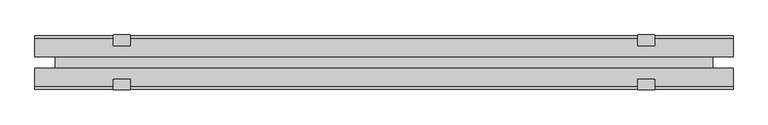
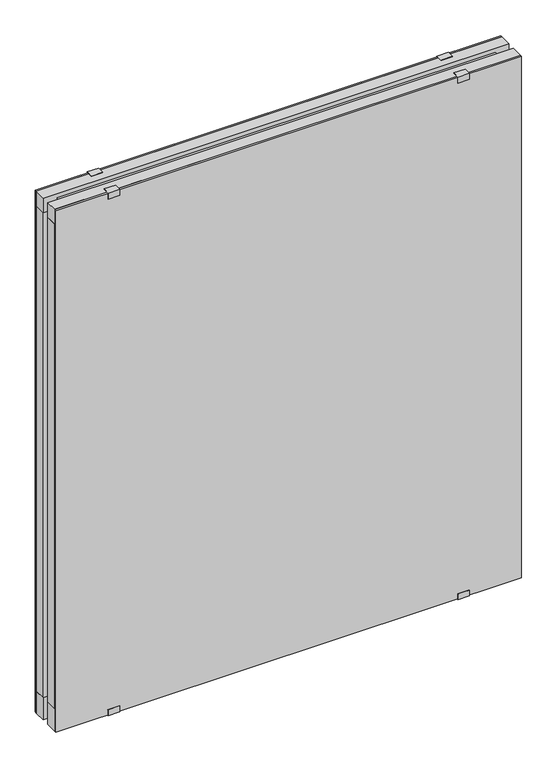
"""IFC4 building model written with IfcOpenShell, lengths in millimetres: plate geometry."""

from ifc_helpers import new_model, si_unit, frame, origin, origin_with_axes, place, context, project, spatial, polyline, outline, extrude, source, transform, mapped, element, save


def plate_10d87825(model_context):
    return source(origin(), model_context, "Body", "SweptSolid", [
        extrude(outline(polyline([(603.3750001, -10.0), (603.3750001, -41.0), (-603.3750001, -41.0), (-603.3750001, -10.0), (603.3750001, -10.0)])), origin_with_axes(), (0.0, 0.0, 1.0), 60.0),
        extrude(outline(polyline([(603.3750001, 41.0), (603.3750001, 10.0), (-603.3750001, 10.0), (-603.3750001, 41.0), (603.3750001, 41.0)])), origin_with_axes(), (0.0, 0.0, 1.0), 60.0),
        extrude(outline(polyline([(603.3750001, -10.0), (603.3750001, -41.0), (-603.3750001, -41.0), (-603.3750001, -10.0), (603.3750001, -10.0)])), frame((0.0, 0.0, 1388.5), z_axis=(0.0, 0.0, 1.0), x_axis=(1.0, 0.0, 0.0)), (0.0, 0.0, 1.0), 40.0),
        extrude(outline(polyline([(603.3750001, 41.0), (603.3750001, 10.0), (-603.3750001, 10.0), (-603.3750001, 41.0), (603.3750001, 41.0)])), frame((0.0, 0.0, 1388.5), z_axis=(0.0, 0.0, 1.0), x_axis=(1.0, 0.0, 0.0)), (0.0, 0.0, 1.0), 40.0),
        extrude(outline(polyline([(567.8750001, -10.0), (-567.8750001, -10.0), (-567.8750001, 10.0), (567.8750001, 10.0), (567.8750001, -10.0)])), frame((0.0, 0.0, 28.0), z_axis=(0.0, 0.0, 1.0), x_axis=(1.0, 0.0, 0.0)), (0.0, 0.0, 1.0), 1389.5),
        extrude(outline(polyline([(603.3750001, 41.0), (-603.3750001, 41.0), (-603.3750001, 46.0), (603.3750001, 46.0), (603.3750001, 41.0)])), origin_with_axes(), (0.0, 0.0, 1.0), 1428.5),
        extrude(outline(polyline([(-603.3750001, -46.0), (-603.3750001, -41.0), (603.3750001, -41.0), (603.3750001, -46.0), (-603.3750001, -46.0)])), origin_with_axes(), (0.0, 0.0, 1.0), 1428.5),
        extrude(outline(polyline([(543.6119275, -10.0), (603.3750001, -10.0), (603.3750001, -41.0), (564.1183344, -41.0), (543.6119275, -13.4129412), (543.6119275, -10.0)])), frame((0.0, 0.0, 60.0), z_axis=(0.0, 0.0, 1.0), x_axis=(1.0, 0.0, 0.0)), (0.0, 0.0, 1.0), 1328.5),
        extrude(outline(polyline([(543.6119275, 10.0), (543.6119275, 13.4129412), (564.1183344, 41.0), (603.3750001, 41.0), (603.3750001, 10.0), (543.6119275, 10.0)])), frame((0.0, 0.0, 60.0), z_axis=(0.0, 0.0, 1.0), x_axis=(1.0, 0.0, 0.0)), (0.0, 0.0, 1.0), 1328.5),
        extrude(outline(polyline([(-543.6119275, -10.0), (-543.6119275, -13.4129412), (-564.1183344, -41.0), (-603.3750001, -41.0), (-603.3750001, -10.0), (-543.6119275, -10.0)])), frame((0.0, 0.0, 60.0), z_axis=(0.0, 0.0, 1.0), x_axis=(1.0, 0.0, 0.0)), (0.0, 0.0, 1.0), 1328.5),
        extrude(outline(polyline([(-543.6119275, 10.0), (-603.3750001, 10.0), (-603.3750001, 41.0), (-564.1183344, 41.0), (-543.6119275, 13.4129412), (-543.6119275, 10.0)])), frame((0.0, 0.0, 60.0), z_axis=(0.0, 0.0, 1.0), x_axis=(1.0, 0.0, 0.0)), (0.0, 0.0, 1.0), 1328.5),
        extrude(outline(polyline([(-47.5, 1430.0), (-29.0, 1430.0), (-29.0, 1428.5), (-46.0, 1428.5), (-46.0, 1413.5), (-47.5, 1413.5), (-47.5, 1430.0)])), frame((-468.3750001, 0.0, 0.0), z_axis=(1.0, 0.0, 0.0), x_axis=(0.0, 1.0, 0.0)), (0.0, 0.0, 1.0), 30.0),
        extrude(outline(polyline([(47.5, 1413.5), (46.0, 1413.5), (46.0, 1428.5), (29.0, 1428.5), (29.0, 1430.0), (47.5, 1430.0), (47.5, 1413.5)])), frame((-468.3750001, 0.0, 0.0), z_axis=(1.0, 0.0, 0.0), x_axis=(0.0, 1.0, 0.0)), (0.0, 0.0, 1.0), 30.0),
        extrude(outline(polyline([(-47.1, 15.0), (-46.0, 15.0), (-46.0, 0.0), (-31.0, 0.0), (-31.0, -1.2), (-47.1, -1.2), (-47.1, 15.0)])), frame((-468.3750001, 0.0, 0.0), z_axis=(1.0, 0.0, 0.0), x_axis=(0.0, 1.0, 0.0)), (0.0, 0.0, 1.0), 30.0),
        extrude(outline(polyline([(47.1, -1.2), (31.0, -1.2), (31.0, 0.0), (46.0, 0.0), (46.0, 15.0), (47.1, 15.0), (47.1, -1.2)])), frame((-468.3750001, 0.0, 0.0), z_axis=(1.0, 0.0, 0.0), x_axis=(0.0, 1.0, 0.0)), (0.0, 0.0, 1.0), 30.0),
        extrude(outline(polyline([(-47.5, 1430.0), (-29.0, 1430.0), (-29.0, 1428.5), (-46.0, 1428.5), (-46.0, 1413.5), (-47.5, 1413.5), (-47.5, 1430.0)])), frame((438.3750001, 0.0, 0.0), z_axis=(1.0, 0.0, 0.0), x_axis=(0.0, 1.0, 0.0)), (0.0, 0.0, 1.0), 30.0),
        extrude(outline(polyline([(29.0, 1430.0), (47.5, 1430.0), (47.5, 1413.5), (46.0, 1413.5), (46.0, 1428.5), (29.0, 1428.5), (29.0, 1430.0)])), frame((438.3750001, 0.0, 0.0), z_axis=(1.0, 0.0, 0.0), x_axis=(0.0, 1.0, 0.0)), (0.0, 0.0, 1.0), 30.0),
        extrude(outline(polyline([(-47.1, 15.0), (-46.0, 15.0), (-46.0, 0.0), (-31.0, 0.0), (-31.0, -1.2), (-47.1, -1.2), (-47.1, 15.0)])), frame((438.3750001, 0.0, 0.0), z_axis=(1.0, 0.0, 0.0), x_axis=(0.0, 1.0, 0.0)), (0.0, 0.0, 1.0), 30.0),
        extrude(outline(polyline([(47.1, -1.2), (31.0, -1.2), (31.0, 0.0), (46.0, 0.0), (46.0, 15.0), (47.1, 15.0), (47.1, -1.2)])), frame((438.3750001, 0.0, 0.0), z_axis=(1.0, 0.0, 0.0), x_axis=(0.0, 1.0, 0.0)), (0.0, 0.0, 1.0), 30.0),
    ])


if __name__ == "__main__":
    model = new_model("IFC4")
    model_context = context("Model", 3, world=origin())
    ifc_project = project(units=[si_unit("LENGTHUNIT", "METRE", prefix="MILLI")], contexts=[model_context])
    site = spatial("IfcSite", under=ifc_project)
    building = spatial("IfcBuilding", under=site)
    placement = place(None, origin())
    plate_shape = plate_10d87825(model_context)
    element("IfcPlate", 1, at=placement, inside=building, context=model_context, shape_type="MappedRepresentation", body=[
        mapped(plate_shape, transform((0.0, 0.0, 0.0), x_axis=(1.0, 0.0, 0.0), y_axis=(0.0, 1.0, 0.0), z_axis=(0.0, 0.0, 1.0))),
    ])
    save(model, "model.ifc")
